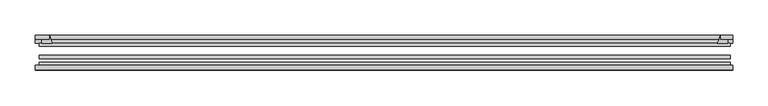
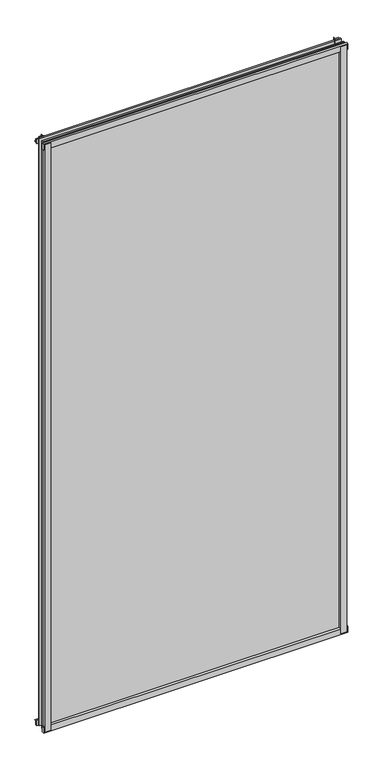
"""IFC4 building model written with IfcOpenShell, lengths in millimetres: plate geometry."""

from ifc_helpers import new_model, si_unit, point, frame, frame_2d, origin, place, context, project, spatial, polyline, circle_curve, trimmed, segment, composite_curve, outline, extrude, source, transform, mapped, element, save


def plate_7f37b3e6(model_context):
    return source(origin(), model_context, "Body", "SweptSolid", [
        extrude(outline(composite_curve([segment(polyline([(-490.72165, -78.7828625), (-469.3004487, -78.7828625)]), True, "CONTINUOUS"), segment(trimmed(circle_curve(frame_2d((-461.6632831, -84.652782)), 9.6323545), [point((-469.3004487, -78.7828625))], [point((-471.2836665, -85.1328625))], True, "CARTESIAN"), True, "CONTINUOUS"), segment(polyline([(-471.2836665, -85.1328625), (-490.72165, -85.1328625), (-490.72165, -78.7828625)]), True, "CONTINUOUS")], self_intersect=False)), frame((0.0, 0.0, -14.2875), z_axis=(0.0, 0.0, 1.0), x_axis=(1.0, 0.0, 0.0)), (0.0, 0.0, 1.0), 2009.775),
        extrude(outline(composite_curve([segment(polyline([(488.183869, -78.7828625), (488.183869, -85.1328625), (468.703979, -85.1328625)]), True, "CONTINUOUS"), segment(trimmed(circle_curve(frame_2d((459.0835956, -84.652782)), 9.6323545), [point((468.703979, -85.1328625))], [point((466.7207612, -78.7828625))], True, "CARTESIAN"), True, "CONTINUOUS"), segment(polyline([(466.7207612, -78.7828625), (488.183869, -78.7828625)]), True, "CONTINUOUS")], self_intersect=False)), frame((0.0, 0.0, -14.2875), z_axis=(0.0, 0.0, 1.0), x_axis=(1.0, 0.0, 0.0)), (0.0, 0.0, 1.0), 2009.775),
        extrude(outline(composite_curve([segment(polyline([(-47.1852625, -14.2875), (-47.1852625, 3.9588469)]), True, "CONTINUOUS"), segment(trimmed(circle_curve(frame_2d((-30.6824422, 32.267054)), 32.7673262), [point((-47.1852625, 3.9588469))], [point((-36.3503395, -0.00635))], True, "CARTESIAN"), True, "CONTINUOUS"), segment(polyline([(-36.3503395, -0.00635), (-42.2830625, -0.00635), (-42.2830625, -14.2875), (-47.1852625, -14.2875)]), True, "CONTINUOUS")], self_intersect=False)), frame((-493.89665, 0.0, 0.0), z_axis=(1.0, 0.0, 0.0), x_axis=(0.0, 1.0, 0.0)), (0.0, 0.0, 1.0), 985.2136125),
        extrude(outline(composite_curve([segment(polyline([(-78.7828625, -16.8821065), (-85.1328625, -16.8821065), (-85.1328625, 2.5977835)]), True, "CONTINUOUS"), segment(trimmed(circle_curve(frame_2d((-84.652782, 12.2181669)), 9.6323545), [point((-85.1328625, 2.5977835))], [point((-78.7828625, 4.5810013))], True, "CARTESIAN"), True, "CONTINUOUS"), segment(polyline([(-78.7828625, 4.5810013), (-78.7828625, -16.8821065)]), True, "CONTINUOUS")], self_intersect=False)), frame((-493.89665, 0.0, 0.0), z_axis=(1.0, 0.0, 0.0), x_axis=(0.0, 1.0, 0.0)), (0.0, 0.0, 1.0), 985.2136125),
        extrude(outline(composite_curve([segment(polyline([(-47.1852625, 1977.2284531), (-47.1852625, 1991.9002564), (-42.2830625, 1991.9002564), (-42.2830625, 1981.2), (-36.3140625, 1981.2)]), True, "CONTINUOUS"), segment(trimmed(circle_curve(frame_2d((-30.6824422, 1948.920246)), 32.7673262), [point((-36.3140625, 1981.2))], [point((-47.1852625, 1977.2284531))], True, "CARTESIAN"), True, "CONTINUOUS")], self_intersect=False)), frame((-493.89665, 0.0, 0.0), z_axis=(1.0, 0.0, 0.0), x_axis=(0.0, 1.0, 0.0)), (0.0, 0.0, 1.0), 985.2136125),
        extrude(outline(composite_curve([segment(polyline([(-78.7828625, 1998.0694065), (-78.7828625, 1976.6062987)]), True, "CONTINUOUS"), segment(trimmed(circle_curve(frame_2d((-84.652782, 1968.9691331)), 9.6323545), [point((-78.7828625, 1976.6062987))], [point((-85.1328625, 1978.5895165))], True, "CARTESIAN"), True, "CONTINUOUS"), segment(polyline([(-85.1328625, 1978.5895165), (-85.1328625, 1998.0694065), (-78.7828625, 1998.0694065)]), True, "CONTINUOUS")], self_intersect=False)), frame((-493.89665, 0.0, 0.0), z_axis=(1.0, 0.0, 0.0), x_axis=(0.0, 1.0, 0.0)), (0.0, 0.0, 1.0), 985.2136125),
        extrude(outline(composite_curve([segment(trimmed(circle_curve(frame_2d((441.5747085, -30.6824422)), 32.7673262), [point((469.8829156, -47.1852625))], [point((473.8544625, -36.3140625))], True, "CARTESIAN"), True, "CONTINUOUS"), segment(polyline([(473.8544625, -36.3140625), (473.8544625, -42.2830625), (484.5548278, -42.2830625), (484.5548278, -47.1852625), (469.8829156, -47.1852625)]), True, "CONTINUOUS")], self_intersect=False)), frame((0.0, 0.0, -14.2875), z_axis=(0.0, 0.0, 1.0), x_axis=(1.0, 0.0, 0.0)), (0.0, 0.0, 1.0), 2009.775),
        extrude(outline(composite_curve([segment(polyline([(-469.8829156, -47.1852625), (-484.5496717, -47.1852625), (-484.5496717, -42.2830625), (-473.8544625, -42.2830625), (-473.8544625, -36.3140625)]), True, "CONTINUOUS"), segment(trimmed(circle_curve(frame_2d((-441.5747085, -30.6824422)), 32.7673262), [point((-473.8544625, -36.3140625))], [point((-469.8829156, -47.1852625))], True, "CARTESIAN"), True, "CONTINUOUS")], self_intersect=False)), frame((0.0, 0.0, -14.2875), z_axis=(0.0, 0.0, 1.0), x_axis=(1.0, 0.0, 0.0)), (0.0, 0.0, 1.0), 2009.775),
        extrude(outline(polyline([(488.1419625, -64.6604625), (488.1419625, -69.4356625), (-488.1419625, -69.4356625), (-488.1419625, -64.6604625), (488.1419625, -64.6604625)])), frame((0.0, 0.0, -14.2875), z_axis=(0.0, 0.0, 1.0), x_axis=(1.0, 0.0, 0.0)), (0.0, 0.0, 1.0), 2009.775),
        extrude(outline(polyline([(-488.1419625, -78.7828625), (-488.1419625, -74.0076625), (488.1419625, -74.0076625), (488.1419625, -78.7828625), (-488.1419625, -78.7828625)])), frame((0.0, 0.0, -14.2875), z_axis=(0.0, 0.0, 1.0), x_axis=(1.0, 0.0, 0.0)), (0.0, 0.0, 1.0), 2009.775),
        extrude(outline(polyline([(-488.1419625, -47.1852625), (488.1419625, -47.1852625), (488.1419625, -51.9604625), (-488.1419625, -51.9604625), (-488.1419625, -47.1852625)])), frame((0.0, 0.0, -14.2875), z_axis=(0.0, 0.0, 1.0), x_axis=(1.0, 0.0, 0.0)), (0.0, 0.0, 1.0), 2009.775),
    ])


if __name__ == "__main__":
    model = new_model("IFC4")
    model_context = context("Model", 3, world=origin())
    ifc_project = project(units=[si_unit("LENGTHUNIT", "METRE", prefix="MILLI")], contexts=[model_context])
    site = spatial("IfcSite", under=ifc_project)
    building = spatial("IfcBuilding", under=site)
    placement = place(None, origin())
    plate_shape = plate_7f37b3e6(model_context)
    element("IfcPlate", 1, at=placement, inside=building, context=model_context, shape_type="MappedRepresentation", body=[
        mapped(plate_shape, transform((0.0, 0.0, 0.0), x_axis=(1.0, 0.0, 0.0), y_axis=(0.0, 1.0, 0.0), z_axis=(0.0, 0.0, 1.0))),
    ])
    save(model, "model.ifc")
